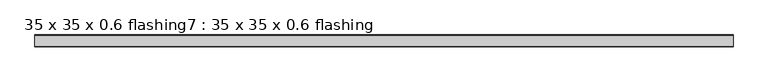
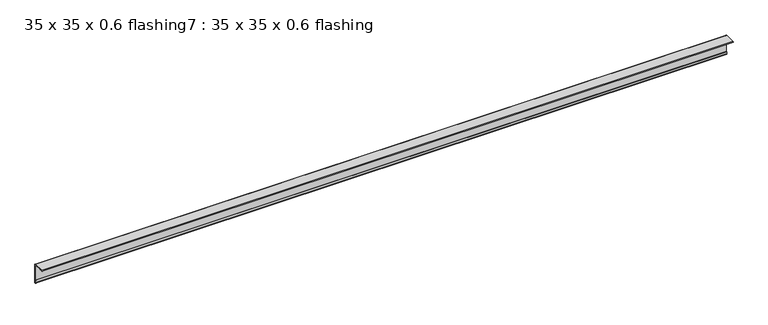
"""IFC4 building model written with IfcOpenShell, lengths in millimetres: proxy geometry, 35 x 35 x 0.6 flashing7 : 35 x 35 x 0.6 flashing."""

from ifc_helpers import new_model, si_unit, point, frame, frame_2d, origin, place, context, project, spatial, polyline, circle_curve, trimmed, segment, composite_curve, outline, extrude, source, transform, mapped, element, save


def proxy_35_x_35_x_0_6_flashing7_35_x_35_x_0_6_flashing_53e1356a(model_context):
    return source(origin(), model_context, "Body", "SweptSolid", [
        extrude(outline(composite_curve([segment(polyline([(919.6461443, 1503.3887038), (957.1461443, 1503.3887038)]), True, "CONTINUOUS"), segment(trimmed(circle_curve(frame_2d((957.1461443, 1500.8887038)), 2.5), [point((957.1461443, 1503.3887038))], [point((959.6461443, 1500.8887038))], False, "CARTESIAN"), True, "CONTINUOUS"), segment(polyline([(959.6461443, 1500.8887038), (959.6461443, 1434.3560264)]), True, "CONTINUOUS"), segment(trimmed(circle_curve(frame_2d((958.6461443, 1434.3560264)), 1.0), [point((959.6461443, 1434.3560264))], [point((957.6461443, 1434.3560264))], False, "CARTESIAN"), True, "CONTINUOUS"), segment(polyline([(957.6461443, 1434.3560264), (957.6461443, 1443.3887038), (958.6461443, 1443.3887038), (958.6461443, 1500.8887038)]), True, "CONTINUOUS"), segment(trimmed(circle_curve(frame_2d((957.1461443, 1500.8887038)), 1.5), [point((958.6461443, 1500.8887038))], [point((957.1461443, 1502.3887038))], True, "CARTESIAN"), True, "CONTINUOUS"), segment(polyline([(957.1461443, 1502.3887038), (928.6479284, 1502.3887038), (928.6479284, 1501.3887038), (919.6461443, 1501.3887038)]), True, "CONTINUOUS"), segment(trimmed(circle_curve(frame_2d((919.6461443, 1502.3887038)), 1.0), [point((919.6461443, 1501.3887038))], [point((919.6461443, 1503.3887038))], False, "CARTESIAN"), True, "CONTINUOUS")], self_intersect=False)), frame((-2519.6640929, 0.0, 0.0), z_axis=(1.0, 0.0, 0.0), x_axis=(0.0, 1.0, 0.0)), (0.0, 0.0, 1.0), 2410.6438934),
    ])


if __name__ == "__main__":
    model = new_model("IFC4")
    model_context = context("Model", 3, world=origin())
    ifc_project = project(units=[si_unit("LENGTHUNIT", "METRE", prefix="MILLI")], contexts=[model_context])
    site = spatial("IfcSite", under=ifc_project)
    building = spatial("IfcBuilding", under=site)
    placement = place(None, origin())
    proxy_35_x_35_x_0_6_flashing7_35_x_35_x_0_6_flashing_shape = proxy_35_x_35_x_0_6_flashing7_35_x_35_x_0_6_flashing_53e1356a(model_context)
    element("IfcBuildingElementProxy", 1, Name="35 x 35 x 0.6 flashing7 : 35 x 35 x 0.6 flashing", ObjectType="35 x 35 x 0.6 flashing7 : 35 x 35 x 0.6 flashing", at=placement, inside=building, context=model_context, shape_type="MappedRepresentation", body=[
        mapped(proxy_35_x_35_x_0_6_flashing7_35_x_35_x_0_6_flashing_shape, transform((0.0, 0.0, 0.0), x_axis=(1.0, 0.0, 0.0), y_axis=(0.0, 1.0, 0.0), z_axis=(0.0, 0.0, 1.0))),
    ])
    save(model, "model.ifc")
